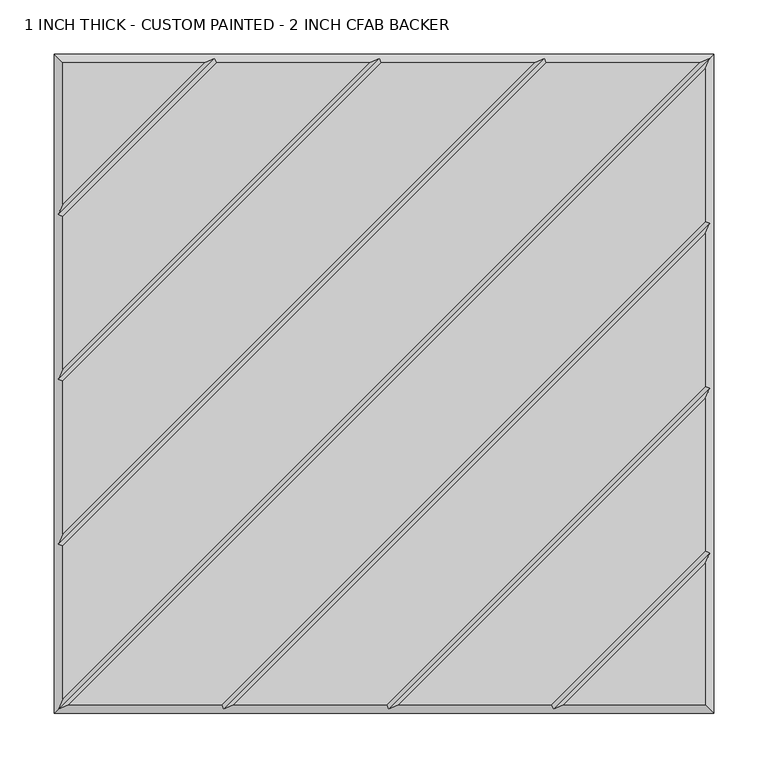
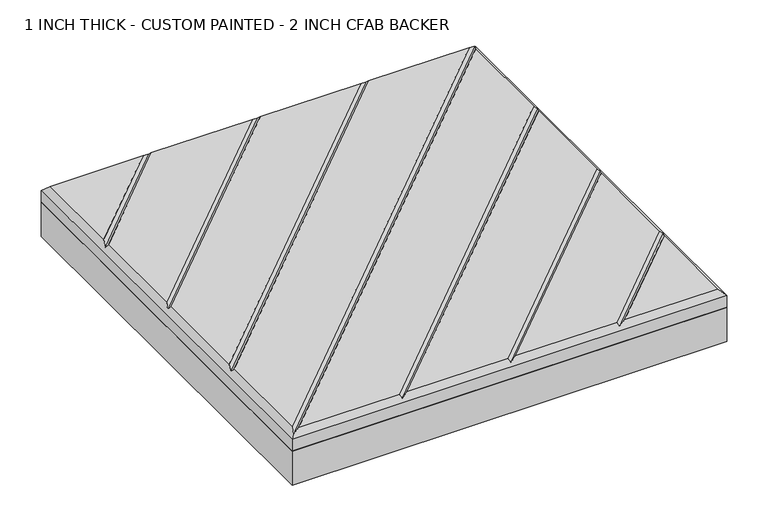
"""IFC4 building model written with IfcOpenShell, lengths in millimetres: proxy geometry, 1 INCH THICK - CUSTOM PAINTED - 2 INCH CFAB BACKER."""

from ifc_helpers import new_model, si_unit, frame, origin, place, context, project, spatial, polyline, outline, extrude, faceted_brep, source, transform, mapped, element, save


def proxy_1_inch_thick_custom_painted_2_inch_cfab_backer_e6894344(model_context):
    return source(origin(), model_context, "Body", "SolidModel", [
        extrude(outline(polyline([(-304.8, 304.8), (304.8, 304.8), (304.8, -304.8), (-304.8, -304.8), (-304.8, 304.8)])), frame((0.0, 0.0, -50.8), z_axis=(0.0, 0.0, 1.0), x_axis=(1.0, 0.0, 0.0)), (0.0, 0.0, 1.0), 50.8),
        faceted_brep([(-296.799, -291.1414894, 25.4), (291.1414894, 296.799, 25.4), (150.0566376, 296.799, 25.4), (-296.799, -150.0566376, 25.4), (296.799, 291.1413878, 25.4), (-291.1413878, -296.799, 25.4), (-150.056536, -296.799, 25.4), (296.799, 150.056536, 25.4), (296.799, 138.7414132, 25.4), (-138.7414132, -296.799, 25.4), (2.343464, -296.799, 25.4), (296.799, -2.343464, 25.4), (296.799, -13.6585868, 25.4), (13.6585868, -296.799, 25.4), (154.743464, -296.799, 25.4), (296.799, -154.743464, 25.4), (-296.799, -138.7415148, 25.4), (138.7415148, 296.799, 25.4), (-2.3433624, 296.799, 25.4), (-296.799, 2.3433624, 25.4), (-296.799, 13.6584852, 25.4), (-13.6584852, 296.799, 25.4), (-154.7433624, 296.799, 25.4), (-296.799, 154.7433624, 25.4), (166.0585868, -296.799, 25.4), (296.799, -296.799, 25.4), (296.799, -166.0585868, 25.4), (-166.0584852, 296.799, 25.4), (-296.799, 296.799, 25.4), (-296.799, 166.0584852, 25.4), (-304.8, 304.8, 0.0), (304.8, 304.8, 0.0), (304.8, -304.8, 0.0), (-304.8, -304.8, 0.0), (-304.8, -304.8, 17.399), (-304.8, 304.8, 17.399), (304.8, -304.8, 17.399), (304.8, 304.8, 17.399), (-156.4004238, 300.7995, 21.3995), (-4.0004238, 300.7995, 21.3995), (148.3995762, 300.7995, 21.3995), (300.7994641, 300.7994641, 21.3995359), (-300.7994641, -300.7994641, 21.3995359), (-300.7995, -148.3995762, 21.3995), (-300.7995, 4.0004238, 21.3995), (-300.7995, 156.4004238, 21.3995), (156.4005254, -300.7995, 21.3995), (4.0005254, -300.7995, 21.3995), (-148.3994746, -300.7995, 21.3995), (300.7995, 148.3994746, 21.3995), (300.7995, -4.0005254, 21.3995), (300.7995, -156.4005254, 21.3995)], [[[0, 1, 2, 3]], [[4, 5, 6, 7]], [[8, 9, 10, 11]], [[12, 13, 14, 15]], [[16, 17, 18, 19]], [[20, 21, 22, 23]], [[24, 25, 26]], [[27, 28, 29]], [[30, 31, 32, 33]], [[30, 33, 34, 35]], [[33, 32, 36, 34]], [[32, 31, 37, 36]], [[31, 30, 35, 37]], [[35, 28, 27, 38, 22, 21, 39, 18, 17, 40, 2, 1, 41, 37]], [[28, 35, 34, 42, 0, 3, 43, 16, 19, 44, 20, 23, 45, 29]], [[36, 25, 24, 46, 14, 13, 47, 10, 9, 48, 6, 5, 42, 34]], [[25, 36, 37, 41, 4, 7, 49, 8, 11, 50, 12, 15, 51, 26]], [[42, 41, 1, 0]], [[41, 42, 5, 4]], [[48, 49, 7, 6]], [[49, 48, 9, 8]], [[47, 50, 11, 10]], [[50, 47, 13, 12]], [[46, 51, 15, 14]], [[51, 46, 24, 26]], [[40, 43, 3, 2]], [[43, 40, 17, 16]], [[39, 44, 19, 18]], [[44, 39, 21, 20]], [[38, 45, 23, 22]], [[45, 38, 27, 29]]]),
    ])


if __name__ == "__main__":
    model = new_model("IFC4")
    model_context = context("Model", 3, world=origin())
    ifc_project = project(units=[si_unit("LENGTHUNIT", "METRE", prefix="MILLI")], contexts=[model_context])
    site = spatial("IfcSite", under=ifc_project)
    building = spatial("IfcBuilding", under=site)
    placement = place(None, origin())
    proxy_1_inch_thick_custom_painted_2_inch_cfab_backer_shape = proxy_1_inch_thick_custom_painted_2_inch_cfab_backer_e6894344(model_context)
    element("IfcBuildingElementProxy", 1, Name="1 INCH THICK - CUSTOM PAINTED - 2 INCH CFAB BACKER", ObjectType="1 INCH THICK - CUSTOM PAINTED - 2 INCH CFAB BACKER", at=placement, inside=building, context=model_context, shape_type="MappedRepresentation", body=[
        mapped(proxy_1_inch_thick_custom_painted_2_inch_cfab_backer_shape, transform((0.0, 0.0, 0.0), x_axis=(1.0, 0.0, 0.0), y_axis=(0.0, 1.0, 0.0), z_axis=(0.0, 0.0, 1.0))),
    ])
    save(model, "model.ifc")
